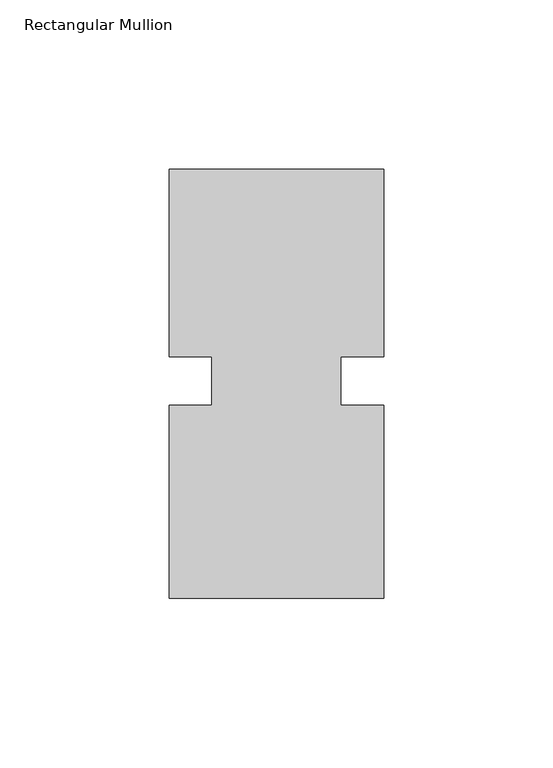
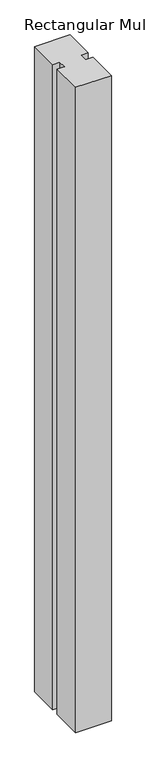
"""IFC4 building model written with IfcOpenShell, lengths in millimetres: member geometry, Rectangular Mullion."""

from ifc_helpers import new_model, si_unit, frame, origin, place, context, project, spatial, polyline, outline, extrude, source, transform, mapped, element, save


def rectangular_mullion_9932b92d(model_context):
    return source(origin(), model_context, "Body", "SweptSolid", [
        extrude(outline(polyline([(36.0844027, 62.70625), (36.0844027, 7.14375), (23.3826322, 7.14375), (23.3826322, -7.14375), (36.0844027, -7.14375), (36.0844027, -64.29375), (-27.4155973, -64.29375), (-27.4155973, -7.14375), (-14.7155973, -7.14375), (-14.7155973, 7.14375), (-27.4155973, 7.14375), (-27.4155973, 62.70625), (36.0844027, 62.70625)])), frame((0.0, 0.0, -1219.2), z_axis=(0.0, 0.0, 1.0), x_axis=(1.0, 0.0, 0.0)), (0.0, 0.0, 1.0), 1219.2),
    ])


if __name__ == "__main__":
    model = new_model("IFC4")
    model_context = context("Model", 3, world=origin())
    ifc_project = project(units=[si_unit("LENGTHUNIT", "METRE", prefix="MILLI")], contexts=[model_context])
    site = spatial("IfcSite", under=ifc_project)
    building = spatial("IfcBuilding", under=site)
    placement = place(None, origin())
    rectangular_mullion_shape = rectangular_mullion_9932b92d(model_context)
    element("IfcMember", 1, ObjectType="Rectangular Mullion", at=placement, inside=building, context=model_context, shape_type="MappedRepresentation", body=[
        mapped(rectangular_mullion_shape, transform((0.0, 0.0, 0.0), x_axis=(1.0, 0.0, 0.0), y_axis=(0.0, 1.0, 0.0), z_axis=(0.0, 0.0, 1.0))),
    ])
    save(model, "model.ifc")
